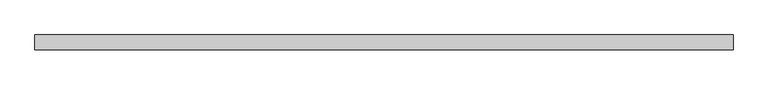
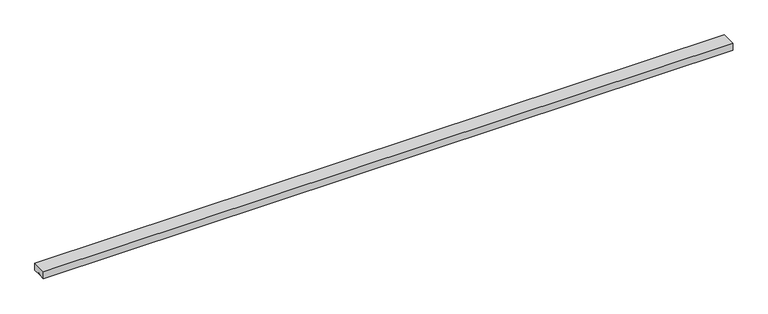
"""IFC4 building model written with IfcOpenShell, lengths in millimetres: furniture geometry."""

from ifc_helpers import new_model, si_unit, frame, origin, place, context, project, spatial, polyline, outline, extrude, source, transform, mapped, element, save


def furniture_6ce175f6(model_context):
    return source(origin(), model_context, "Body", "SweptSolid", [
        extrude(outline(polyline([(-101.6, 2286.0), (0.0, 2286.0), (0.0, 2235.2), (-44.831, 2235.2), (-44.831, 2238.5528), (-39.0097688, 2238.5528), (-39.0097688, 2246.0458), (-63.8255688, 2246.0458), (-63.8255688, 2238.5528), (-56.769, 2238.5528), (-56.769, 2235.2), (-101.6, 2235.2), (-101.6, 2286.0)])), frame((50.8, 0.0, 0.0), z_axis=(1.0, 0.0, 0.0), x_axis=(0.0, 1.0, 0.0)), (0.0, 0.0, 1.0), 4775.2),
    ])


if __name__ == "__main__":
    model = new_model("IFC4")
    model_context = context("Model", 3, world=origin())
    ifc_project = project(units=[si_unit("LENGTHUNIT", "METRE", prefix="MILLI")], contexts=[model_context])
    site = spatial("IfcSite", under=ifc_project)
    building = spatial("IfcBuilding", under=site)
    placement = place(None, origin())
    furniture_shape = furniture_6ce175f6(model_context)
    element("IfcFurniture", 1, at=placement, inside=building, context=model_context, shape_type="MappedRepresentation", body=[
        mapped(furniture_shape, transform((0.0, 0.0, 0.0), x_axis=(1.0, 0.0, 0.0), y_axis=(0.0, 1.0, 0.0), z_axis=(0.0, 0.0, 1.0))),
    ])
    save(model, "model.ifc")
